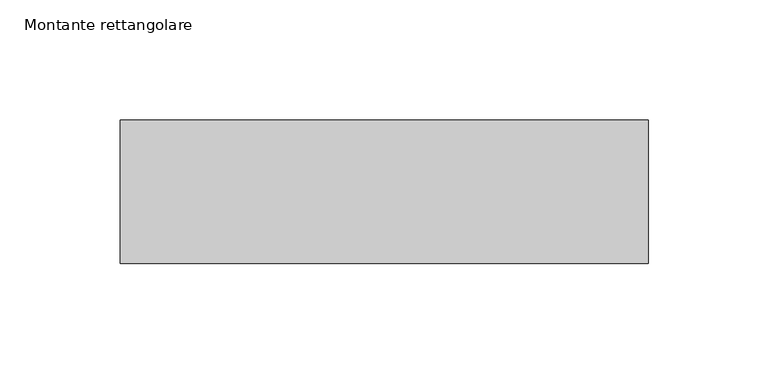
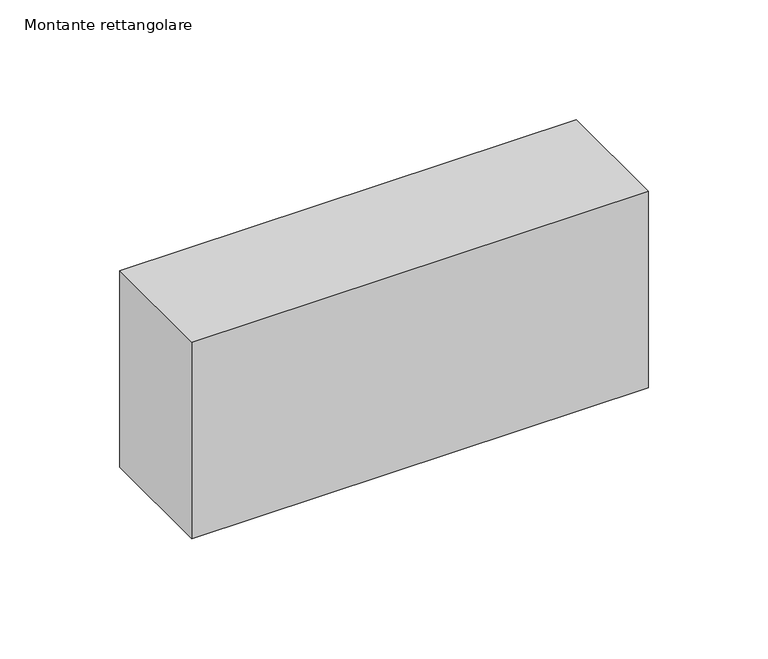
"""IFC4 building model written with IfcOpenShell, lengths in millimetres: member geometry, Montante rettangolare."""

from ifc_helpers import new_model, si_unit, frame, origin, place, context, project, spatial, polyline, outline, extrude, source, transform, mapped, element, save


def montante_rettangolare_b25c400a(model_context):
    return source(origin(), model_context, "Body", "SweptSolid", [
        extrude(outline(polyline([(110.0, 30.0), (110.0, -30.0), (-110.0, -30.0), (-110.0, 30.0), (110.0, 30.0)])), frame((0.0, 0.0, -100.0873672), z_axis=(0.0, 0.0, 1.0), x_axis=(1.0, 0.0, 0.0)), (0.0, 0.0, 1.0), 100.0873672),
    ])


if __name__ == "__main__":
    model = new_model("IFC4")
    model_context = context("Model", 3, world=origin())
    ifc_project = project(units=[si_unit("LENGTHUNIT", "METRE", prefix="MILLI")], contexts=[model_context])
    site = spatial("IfcSite", under=ifc_project)
    building = spatial("IfcBuilding", under=site)
    placement = place(None, origin())
    montante_rettangolare_shape = montante_rettangolare_b25c400a(model_context)
    element("IfcMember", 1, ObjectType="Montante rettangolare", at=placement, inside=building, context=model_context, shape_type="MappedRepresentation", body=[
        mapped(montante_rettangolare_shape, transform((0.0, 0.0, 0.0), x_axis=(1.0, 0.0, 0.0), y_axis=(0.0, 1.0, 0.0), z_axis=(0.0, 0.0, 1.0))),
    ])
    save(model, "model.ifc")
